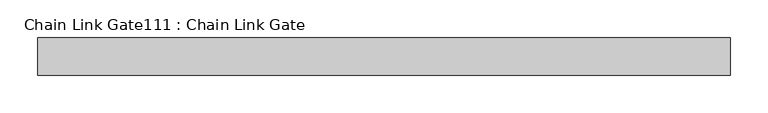
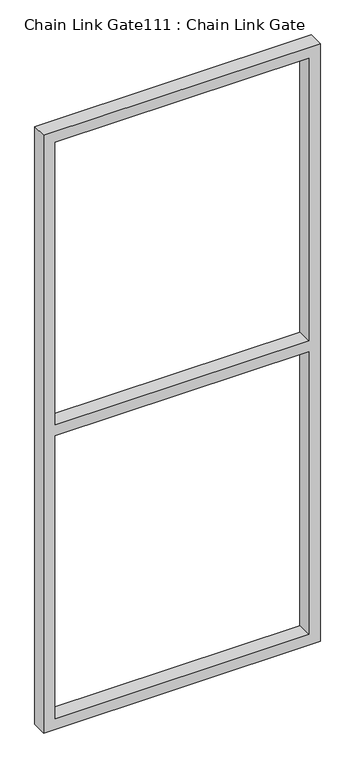
"""IFC4 building model written with IfcOpenShell, lengths in millimetres: proxy geometry, Chain Link Gate111 : Chain Link Gate."""

from ifc_helpers import new_model, si_unit, frame, origin, place, context, project, spatial, polyline, outline, extrude, source, transform, mapped, element, save


def chain_link_gate111_chain_link_gate_4d4baba2(model_context):
    return source(origin(), model_context, "Body", "SweptSolid", [
        extrude(outline(polyline([(2120.9, 29664.0151795), (12.7, 29664.0151795), (12.7, 30587.9401795), (2120.9, 30587.9401795), (2120.9, 29664.0151795)]), holes=[polyline([(2082.8, 29702.1151795), (2082.8, 30549.8401795), (1085.85, 30549.8401795), (1085.85, 29702.1151795), (2082.8, 29702.1151795)]), polyline([(1047.75, 30549.8401795), (50.8, 30549.8401795), (50.8, 29702.1151795), (1047.75, 29702.1151795), (1047.75, 30549.8401795)])]), frame((0.0, 13512.5112077, 0.0), z_axis=(0.0, 1.0, 0.0), x_axis=(0.0, 0.0, 1.0)), (0.0, 0.0, 1.0), 50.1314753),
    ])


if __name__ == "__main__":
    model = new_model("IFC4")
    model_context = context("Model", 3, world=origin())
    ifc_project = project(units=[si_unit("LENGTHUNIT", "METRE", prefix="MILLI")], contexts=[model_context])
    site = spatial("IfcSite", under=ifc_project)
    building = spatial("IfcBuilding", under=site)
    placement = place(None, origin())
    chain_link_gate111_chain_link_gate_shape = chain_link_gate111_chain_link_gate_4d4baba2(model_context)
    element("IfcBuildingElementProxy", 1, Name="Chain Link Gate111 : Chain Link Gate", ObjectType="Chain Link Gate111 : Chain Link Gate", at=placement, inside=building, context=model_context, shape_type="MappedRepresentation", body=[
        mapped(chain_link_gate111_chain_link_gate_shape, transform((0.0, 0.0, 0.0), x_axis=(1.0, 0.0, 0.0), y_axis=(0.0, 1.0, 0.0), z_axis=(0.0, 0.0, 1.0))),
    ])
    save(model, "model.ifc")
